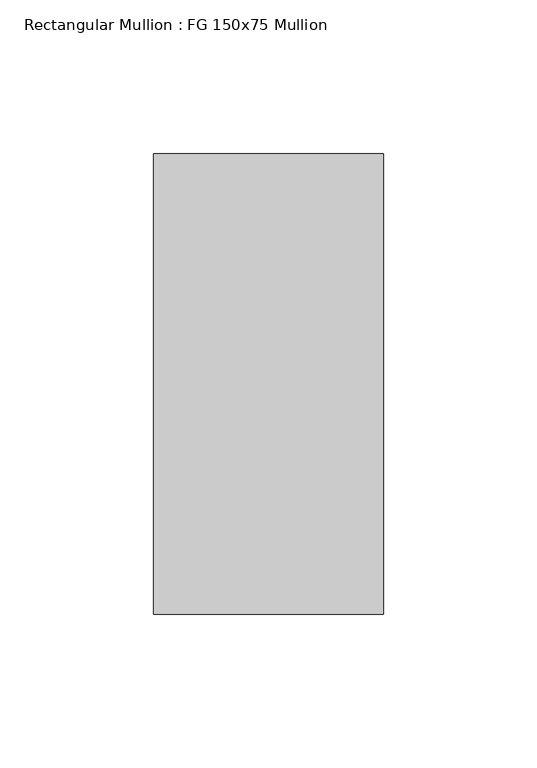
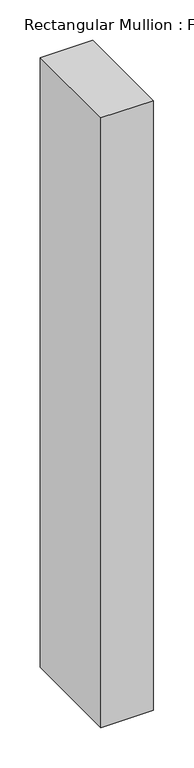
"""IFC4 building model written with IfcOpenShell, lengths in millimetres: member geometry, Rectangular Mullion : FG 150x75 Mullion."""

from ifc_helpers import new_model, si_unit, frame, origin, place, context, project, spatial, polyline, outline, extrude, source, transform, mapped, element, save


def rectangular_mullion_fg_150x75_mullion_ec10ab44(model_context):
    return source(origin(), model_context, "Body", "SweptSolid", [
        extrude(outline(polyline([(37.5, 75.0), (37.5, -75.0), (-37.5, -75.0), (-37.5, 75.0), (37.5, 75.0)])), frame((0.0, 0.0, -921.5045338), z_axis=(0.0, 0.0, 1.0), x_axis=(1.0, 0.0, 0.0)), (0.0, 0.0, 1.0), 921.5045338),
    ])


if __name__ == "__main__":
    model = new_model("IFC4")
    model_context = context("Model", 3, world=origin())
    ifc_project = project(units=[si_unit("LENGTHUNIT", "METRE", prefix="MILLI")], contexts=[model_context])
    site = spatial("IfcSite", under=ifc_project)
    building = spatial("IfcBuilding", under=site)
    placement = place(None, origin())
    rectangular_mullion_fg_150x75_mullion_shape = rectangular_mullion_fg_150x75_mullion_ec10ab44(model_context)
    element("IfcMember", 1, ObjectType="Rectangular Mullion : FG 150x75 Mullion", at=placement, inside=building, context=model_context, shape_type="MappedRepresentation", body=[
        mapped(rectangular_mullion_fg_150x75_mullion_shape, transform((0.0, 0.0, 0.0), x_axis=(1.0, 0.0, 0.0), y_axis=(0.0, 1.0, 0.0), z_axis=(0.0, 0.0, 1.0))),
    ])
    save(model, "model.ifc")
